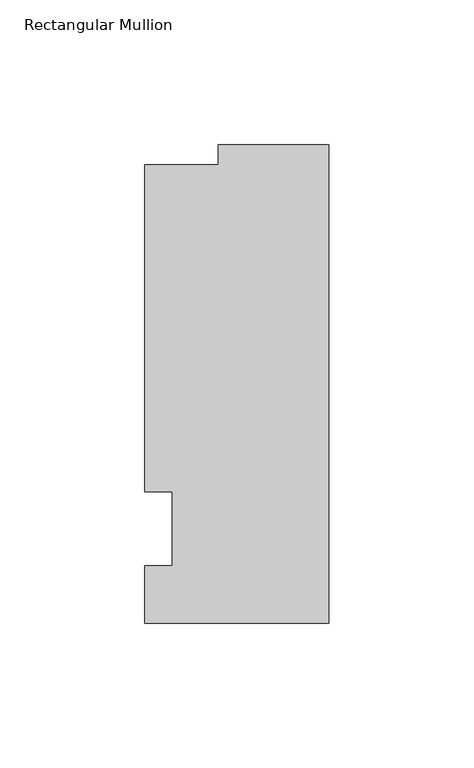
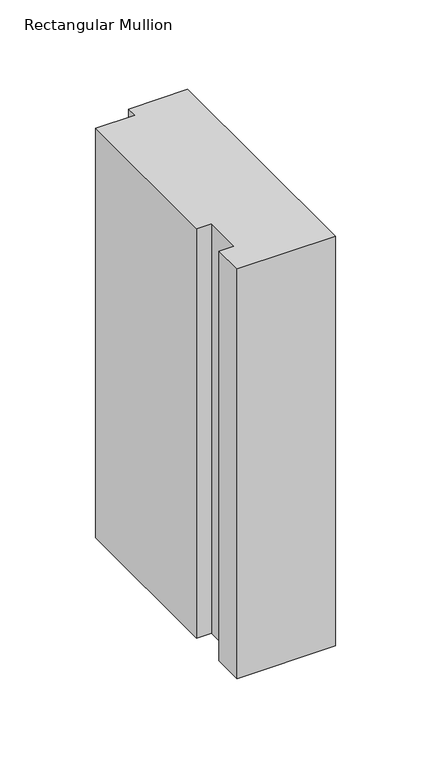
"""IFC4 building model written with IfcOpenShell, lengths in millimetres: member geometry, Rectangular Mullion."""

from ifc_helpers import new_model, si_unit, frame, origin, place, context, project, spatial, polyline, outline, extrude, source, transform, mapped, element, save


def rectangular_mullion_1d344fb1(model_context):
    return source(origin(), model_context, "Body", "SweptSolid", [
        extrude(outline(polyline([(-63.5, -32.54375), (-63.5, -12.7), (-53.975, -12.7), (-53.975, 12.7), (-63.5, 12.7), (-63.5, 125.59665), (-38.1, 125.59665), (-38.1, 132.55625), (0.0, 132.55625), (0.0, -32.54375), (-63.5, -32.54375)])), frame((0.0, 0.0, -279.4), z_axis=(0.0, 0.0, 1.0), x_axis=(1.0, 0.0, 0.0)), (0.0, 0.0, 1.0), 279.4),
    ])


if __name__ == "__main__":
    model = new_model("IFC4")
    model_context = context("Model", 3, world=origin())
    ifc_project = project(units=[si_unit("LENGTHUNIT", "METRE", prefix="MILLI")], contexts=[model_context])
    site = spatial("IfcSite", under=ifc_project)
    building = spatial("IfcBuilding", under=site)
    placement = place(None, origin())
    rectangular_mullion_shape = rectangular_mullion_1d344fb1(model_context)
    element("IfcMember", 1, ObjectType="Rectangular Mullion", at=placement, inside=building, context=model_context, shape_type="MappedRepresentation", body=[
        mapped(rectangular_mullion_shape, transform((0.0, 0.0, 0.0), x_axis=(1.0, 0.0, 0.0), y_axis=(0.0, 1.0, 0.0), z_axis=(0.0, 0.0, 1.0))),
    ])
    save(model, "model.ifc")
